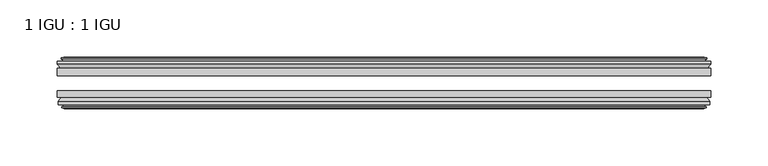
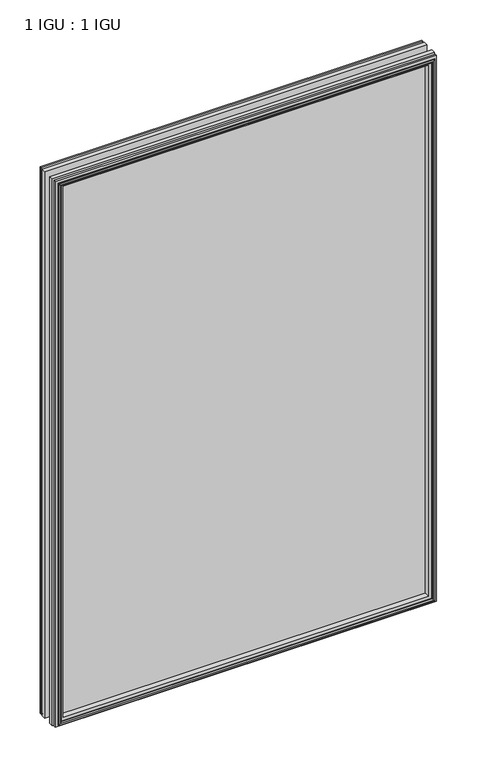
"""IFC4 building model written with IfcOpenShell, lengths in millimetres: plate geometry, 1 IGU : 1 IGU."""

import ifcopenshell
import ifcopenshell.guid

model = None  # the IFC model being written
_history = None  # IfcOwnerHistory: only IFC2X3 demands one
_inside = {}  # id of a spatial element -> (the spatial element, [elements in it])
_under = {}  # id of a project, library or spatial element -> (it, [spatial elements below it])
_declared = {}  # id of a project -> (the project, [libraries it declares])
_typed = {}  # id of a type object -> (the type object, [elements of that type])
_made_of = {}  # id of a material, layer set ... -> (it, [elements and type objects made of it])


def new_model(schema):
    """Start an empty IFC model of exactly this schema.

    Asked for "IFC4X3", IfcOpenShell would pick the latest addendum, in which some entities
    have other attributes; the version numbers below select the first issue.
    IFC2X3 requires an IfcOwnerHistory on every rooted entity: one is made here for all.
    """
    global model, _history
    if schema == "IFC4X3":
        model = ifcopenshell.file(schema_version=(4, 3, 0, 0))
    else:
        model = ifcopenshell.file(schema=schema)
    _inside.clear()
    _under.clear()
    _declared.clear()
    _typed.clear()
    _made_of.clear()
    _history = None
    if model.schema == "IFC2X3":
        org = make("IfcOrganization", Name="unknown")
        user = make(
            "IfcPersonAndOrganization",
            ThePerson=make("IfcPerson", FamilyName="unknown"),
            TheOrganization=org,
        )
        app = make(
            "IfcApplication",
            ApplicationDeveloper=org,
            Version="unknown",
            ApplicationFullName="unknown",
            ApplicationIdentifier="unknown",
        )
        _history = make(
            "IfcOwnerHistory",
            OwningUser=user,
            OwningApplication=app,
            ChangeAction="ADDED",
            CreationDate=0,
        )
    return model


def make(cls, **values):
    """One entity of the class cls with the attributes given. An attribute that is None is left unset."""
    return model.create_entity(
        cls, **{name: value for name, value in values.items() if value is not None}
    )


def rooted(cls, **values):
    """An entity with a GlobalId (a new one), such as an element, a storey or a relation."""
    return make(cls, GlobalId=ifcopenshell.guid.new(), OwnerHistory=_history, **values)


def si_unit(unit_type, name, prefix=None):
    """IfcSIUnit, for example si_unit("LENGTHUNIT", "METRE", prefix="MILLI")."""
    return make("IfcSIUnit", UnitType=unit_type, Prefix=prefix, Name=name)


def assignment(units):
    """IfcUnitAssignment: the units of a project."""
    return None if units is None else make("IfcUnitAssignment", Units=units)


def point(xyz):
    """IfcCartesianPoint."""
    return None if xyz is None else make("IfcCartesianPoint", Coordinates=xyz)


def direction(xyz):
    """IfcDirection."""
    return None if xyz is None else make("IfcDirection", DirectionRatios=xyz)


def frame(location, z_axis=None, x_axis=None):
    """IfcAxis2Placement3D, a coordinate frame: its origin and axes. An axis left out is left unset."""
    return make(
        "IfcAxis2Placement3D",
        Location=point(location),
        Axis=direction(z_axis),
        RefDirection=direction(x_axis),
    )


def origin():
    """The frame at (0, 0, 0) with its axes left unset."""
    return frame((0.0, 0.0, 0.0))


def place(relative_to, where):
    """IfcLocalPlacement: puts the frame where relative to a parent placement (None: the world)."""
    return make(
        "IfcLocalPlacement", PlacementRelTo=relative_to, RelativePlacement=where
    )


def context(
    kind, dimensions, precision=None, world=None, true_north=None, identifier=None
):
    """IfcGeometricRepresentationContext, for example the 3D "Model" context."""
    return make(
        "IfcGeometricRepresentationContext",
        ContextIdentifier=identifier,
        ContextType=kind,
        CoordinateSpaceDimension=dimensions,
        Precision=precision,
        WorldCoordinateSystem=world,
        TrueNorth=true_north,
    )


def project(units=None, contexts=None):
    """IfcProject with its units and contexts."""
    return rooted(
        "IfcProject",
        Name="project",
        RepresentationContexts=contexts,
        UnitsInContext=assignment(units),
    )


def spatial(cls, under=None, at=None, **own):
    """A site, building, storey or space (cls), placed at a placement, below another one or the project."""
    s = rooted(cls, ObjectPlacement=at, **own)
    if under is not None:
        _under.setdefault(under.id(), (under, []))[1].append(s)
    return s


def polyline(points):
    """IfcPolyline through the points."""
    return make("IfcPolyline", Points=[point(p) for p in points])


def outline(outer, holes=None, kind="AREA"):
    """IfcArbitraryClosedProfileDef: a profile drawn as a closed curve; with holes, ...WithVoids."""
    if holes is None:
        return make("IfcArbitraryClosedProfileDef", ProfileType=kind, OuterCurve=outer)
    return make(
        "IfcArbitraryProfileDefWithVoids",
        ProfileType=kind,
        OuterCurve=outer,
        InnerCurves=holes,
    )


def extrude(swept, where, along, depth):
    """IfcExtrudedAreaSolid: the profile swept, set in the frame where, extruded along a direction by depth."""
    return make(
        "IfcExtrudedAreaSolid",
        SweptArea=swept,
        Position=where,
        ExtrudedDirection=direction(along),
        Depth=depth,
    )


def faces_of(points, faces, orient=None, outer=None):
    """IfcFace entities. A face is a list of loops; a loop is a list of indices into points, from 0.

    orient and outer hold one flag for each loop. By default every Orientation is true, the
    first loop of a face is its IfcFaceOuterBound and the others are IfcFaceBound.
    """
    made = []
    for i, loops in enumerate(faces):
        bounds = []
        for j, loop in enumerate(loops):
            is_outer = j == 0 if outer is None else outer[i][j]
            bounds.append(
                make(
                    "IfcFaceOuterBound" if is_outer else "IfcFaceBound",
                    Bound=make("IfcPolyLoop", Polygon=[points[k] for k in loop]),
                    Orientation=True if orient is None else orient[i][j],
                )
            )
        made.append(make("IfcFace", Bounds=bounds))
    return made


def faceted_brep(points, faces, orient=None, outer=None, voids=None):
    """IfcFacetedBrep: a solid bounded by flat faces; with voids (closed shells), ...WithVoids."""
    shared = [point(p) for p in points]
    hull = make("IfcClosedShell", CfsFaces=faces_of(shared, faces, orient, outer))
    if voids is None:
        return make("IfcFacetedBrep", Outer=hull)
    return make(
        "IfcFacetedBrepWithVoids",
        Outer=hull,
        Voids=[
            make(cls, CfsFaces=faces_of(shared, fs, o, b)) for cls, fs, o, b in voids
        ],
    )


def shape(context_of_items, identifier, shape_type, items):
    """IfcShapeRepresentation: the items that make up one representation, for example the "Body"."""
    return make(
        "IfcShapeRepresentation",
        ContextOfItems=context_of_items,
        RepresentationIdentifier=identifier,
        RepresentationType=shape_type,
        Items=items,
    )


def source(mapping_origin, context_of_items, identifier, shape_type, items):
    """IfcRepresentationMap: a shape defined once, which mapped items show again and again."""
    return make(
        "IfcRepresentationMap",
        MappingOrigin=mapping_origin,
        MappedRepresentation=shape(context_of_items, identifier, shape_type, items),
    )


def transform(
    local_origin,
    x_axis=None,
    y_axis=None,
    z_axis=None,
    scale=None,
    scale2=None,
    scale3=None,
    uniform=True,
):
    """IfcCartesianTransformationOperator3D, or its non-uniform kind. x_axis, y_axis, z_axis: its Axis1, 2, 3."""
    if uniform:
        return make(
            "IfcCartesianTransformationOperator3D",
            Axis1=direction(x_axis),
            Axis2=direction(y_axis),
            LocalOrigin=point(local_origin),
            Scale=scale,
            Axis3=direction(z_axis),
        )
    return make(
        "IfcCartesianTransformationOperator3DnonUniform",
        Axis1=direction(x_axis),
        Axis2=direction(y_axis),
        LocalOrigin=point(local_origin),
        Scale=scale,
        Axis3=direction(z_axis),
        Scale2=scale2,
        Scale3=scale3,
    )


def mapped(mapping_source, mapping_target):
    """IfcMappedItem: shows the shape of a source again, moved by a transform."""
    return make(
        "IfcMappedItem", MappingSource=mapping_source, MappingTarget=mapping_target
    )


def made_of(thing, what):
    """Note that an element or type object is made of a material, layer set ...; save() writes the relation."""
    if what is not None:
        _made_of.setdefault(what.id(), (what, []))[1].append(thing)
    return thing


def element(
    cls,
    number,
    at=None,
    inside=None,
    cuts=None,
    type_object=None,
    material=None,
    context=None,
    identifier="Body",
    shape_type=None,
    held_by="IfcProductDefinitionShape",
    body=None,
    shapes=None,
    **own,
):
    """One element of the class cls, such as IfcWall. Its Tag is "e" and its number.

    at: its placement. inside: the storey or other place that contains it. cuts: it is an
    opening in that element (IfcRelVoidsElement). A single representation is given by context,
    identifier, shape_type and body (its items); several are given by shapes. held_by: the class
    of the entity that holds the representations. save() writes the other relations.
    """
    e = rooted(cls, Tag="e%d" % number, ObjectPlacement=at, **own)
    if body is not None:
        shapes = [shape(context, identifier, shape_type, body)]
    if shapes is not None:
        e.Representation = make(held_by, Representations=shapes)
    if inside is not None:
        _inside.setdefault(inside.id(), (inside, []))[1].append(e)
    if cuts is not None:
        rooted(
            "IfcRelVoidsElement", RelatingBuildingElement=cuts, RelatedOpeningElement=e
        )
    if type_object is not None:
        _typed.setdefault(type_object.id(), (type_object, []))[1].append(e)
    return made_of(e, material)


def aggregate(whole, parts):
    """IfcRelAggregates: a whole, such as a stair, and the parts it consists of."""
    return rooted("IfcRelAggregates", RelatingObject=whole, RelatedObjects=parts)


def save(model, path):
    """Write the relations noted so far, then the file.

    IfcRelAggregates (storeys below a building ...), IfcRelContainedInSpatialStructure (elements
    in a storey), IfcRelDefinesByType, IfcRelAssociatesMaterial and IfcRelDeclares: one each for
    every whole, place, type object, material and project.
    """
    for whole, parts in _under.values():
        aggregate(whole, parts)
    for where, things in _inside.values():
        rooted(
            "IfcRelContainedInSpatialStructure",
            RelatedElements=things,
            RelatingStructure=where,
        )
    for kind, things in _typed.values():
        rooted("IfcRelDefinesByType", RelatedObjects=things, RelatingType=kind)
    for what, things in _made_of.values():
        rooted("IfcRelAssociatesMaterial", RelatedObjects=things, RelatingMaterial=what)
    for by, libraries in _declared.values():
        rooted("IfcRelDeclares", RelatingContext=by, RelatedDefinitions=libraries)
    model.write(path)


def plate_1_igu_1_igu_53c20ebe(model_context):
    return source(origin(), model_context, "Body", "SolidModel", [
        extrude(outline(polyline([(285.75, -19.5460937), (285.75, -25.8960938), (-285.75, -25.8960938), (-285.75, -19.5460937), (285.75, -19.5460937)])), frame((0.0, 0.0, -12.7), z_axis=(0.0, 0.0, 1.0), x_axis=(1.0, 0.0, 0.0)), (0.0, 0.0, 1.0), 863.6099403),
        extrude(outline(polyline([(-285.75, -44.9460938), (-285.75, -38.9186737), (285.75, -38.9186737), (285.75, -44.9460938), (-285.75, -44.9460938)])), frame((0.0, 0.0, -12.7), z_axis=(0.0, 0.0, 1.0), x_axis=(1.0, 0.0, 0.0)), (0.0, 0.0, 1.0), 863.6099403),
        faceted_brep([(-280.162, -53.6762907, 845.3219403), (-280.543, -51.2960937, 845.7029403), (-280.543, -51.2960937, -7.493), (-280.162, -53.6762907, -7.112), (-281.5775291, -53.2163575, 846.7374694), (-281.5775291, -53.2163575, -8.5275291), (-281.5775291, -54.0175717, 846.7374694), (-281.5775291, -54.0175717, -8.5275291), (-279.4, -54.7250937, 844.5599403), (-279.4, -54.7250937, -6.35), (-277.2224709, -54.0175717, 842.3824113), (-277.2224709, -54.0175717, -4.1724709), (-277.2224709, -53.2163575, 842.3824113), (-277.2224709, -53.2163575, -4.1724709), (-278.638, -53.6762907, 843.7979403), (-278.638, -53.6762907, -5.588), (-278.257, -51.2960937, 843.4169403), (-278.257, -51.2960937, -5.207), (-271.3322819, -44.9460937, 836.4922223), (-273.05, -51.2960937, 838.2099403), (-273.05, -51.2960937, 0.0), (-271.3322819, -44.9460937, 1.7177181), (-284.988, -48.3496937, 850.1479403), (-282.1536578, -44.9460937, 847.3135982), (-282.1536578, -44.9460937, -9.1036578), (-284.988, -48.3496937, -11.938), (-284.988, -51.2960937, 850.1479403), (-284.988, -51.2960937, -11.938), (280.543, -51.2960938, -7.493), (280.162, -53.6762907, -7.112), (281.5775291, -53.2163575, -8.5275291), (281.5775291, -54.0175717, -8.5275291), (279.4, -54.7250937, -6.35), (277.2224709, -54.0175717, -4.1724709), (277.2224709, -53.2163575, -4.1724709), (278.638, -53.6762907, -5.588), (278.257, -51.2960937, -5.207), (273.05, -51.2960937, 0.0), (271.3322819, -44.9460937, 1.7177181), (282.1536578, -44.9460937, -9.1036578), (284.988, -48.3496937, -11.938), (284.988, -51.2960938, -11.938), (280.543, -51.2960938, 845.7029403), (280.162, -53.6762907, 845.3219403), (281.5775291, -53.2163575, 846.7374694), (281.5775291, -54.0175717, 846.7374694), (279.4, -54.7250937, 844.5599403), (277.2224709, -54.0175717, 842.3824113), (277.2224709, -53.2163575, 842.3824113), (278.638, -53.6762907, 843.7979403), (278.257, -51.2960937, 843.4169403), (273.05, -51.2960937, 838.2099403), (271.3322819, -44.9460937, 836.4922223), (282.1536578, -44.9460937, 847.3135982), (284.988, -48.3496937, 850.1479403), (284.988, -51.2960938, 850.1479403)], [[[0, 1, 2, 3]], [[4, 0, 3, 5]], [[6, 4, 5, 7]], [[8, 6, 7, 9]], [[10, 8, 9, 11]], [[12, 10, 11, 13]], [[14, 12, 13, 15]], [[16, 14, 15, 17]], [[18, 19, 20, 21]], [[22, 23, 24, 25]], [[26, 22, 25, 27]], [[3, 2, 28, 29]], [[5, 3, 29, 30]], [[7, 5, 30, 31]], [[9, 7, 31, 32]], [[11, 9, 32, 33]], [[13, 11, 33, 34]], [[15, 13, 34, 35]], [[17, 15, 35, 36]], [[21, 20, 37, 38]], [[25, 24, 39, 40]], [[27, 25, 40, 41]], [[29, 28, 42, 43]], [[30, 29, 43, 44]], [[31, 30, 44, 45]], [[32, 31, 45, 46]], [[33, 32, 46, 47]], [[34, 33, 47, 48]], [[35, 34, 48, 49]], [[36, 35, 49, 50]], [[38, 37, 51, 52]], [[40, 39, 53, 54]], [[41, 40, 54, 55]], [[27, 41, 55, 26], [1, 42, 28, 2]], [[43, 42, 1, 0]], [[44, 43, 0, 4]], [[45, 44, 4, 6]], [[46, 45, 6, 8]], [[47, 46, 8, 10]], [[48, 47, 10, 12]], [[49, 48, 12, 14]], [[50, 49, 14, 16]], [[17, 36, 50, 16], [19, 51, 37, 20]], [[52, 51, 19, 18]], [[23, 53, 39, 24], [21, 38, 52, 18]], [[54, 53, 23, 22]], [[55, 54, 22, 26]]]),
        faceted_brep([(-282.6743578, -19.5460937, 847.8342982), (-285.5087, -16.1424937, 850.6686403), (-285.5087, -16.1424937, -12.4587), (-282.6743578, -19.5460937, -9.6243578), (-273.5707, -13.1960937, 838.7306403), (-271.8529819, -19.5460937, 837.0129223), (-271.8529819, -19.5460937, 1.1970181), (-273.5707, -13.1960937, -0.5207), (-279.1587, -10.8158968, 844.3186403), (-278.7777, -13.1960937, 843.9376403), (-278.7777, -13.1960937, -5.7277), (-279.1587, -10.8158968, -6.1087), (-277.7431709, -11.27583, 842.9031113), (-277.7431709, -11.27583, -4.6931709), (-277.7431709, -10.4746158, 842.9031113), (-277.7431709, -10.4746158, -4.6931709), (-279.9207, -9.7670937, 845.0806403), (-279.9207, -9.7670937, -6.8707), (-282.0982291, -10.4746158, 847.2581694), (-282.0982291, -10.4746158, -9.0482291), (-282.0982291, -11.27583, 847.2581694), (-282.0982291, -11.27583, -9.0482291), (-280.6827, -10.8158968, 845.8426403), (-280.6827, -10.8158968, -7.6327), (-281.0637, -13.1960937, 846.2236403), (-281.0637, -13.1960937, -8.0137), (-285.5087, -13.1960937, 850.6686403), (-285.5087, -13.1960937, -12.4587), (285.5087, -16.1424937, -12.4587), (282.6743578, -19.5460937, -9.6243578), (271.8529819, -19.5460937, 1.1970181), (273.5707, -13.1960937, -0.5207), (278.7777, -13.1960937, -5.7277), (279.1587, -10.8158968, -6.1087), (277.7431709, -11.27583, -4.6931709), (277.7431709, -10.4746158, -4.6931709), (279.9207, -9.7670937, -6.8707), (282.0982291, -10.4746158, -9.0482291), (282.0982291, -11.27583, -9.0482291), (280.6827, -10.8158968, -7.6327), (281.0637, -13.1960937, -8.0137), (285.5087, -13.1960937, -12.4587), (285.5087, -16.1424937, 850.6686403), (282.6743578, -19.5460937, 847.8342982), (271.8529819, -19.5460937, 837.0129223), (273.5707, -13.1960937, 838.7306403), (278.7777, -13.1960937, 843.9376403), (279.1587, -10.8158968, 844.3186403), (277.7431709, -11.27583, 842.9031113), (277.7431709, -10.4746158, 842.9031113), (279.9207, -9.7670937, 845.0806403), (282.0982291, -10.4746158, 847.2581694), (282.0982291, -11.27583, 847.2581694), (280.6827, -10.8158968, 845.8426403), (281.0637, -13.1960937, 846.2236403), (285.5087, -13.1960937, 850.6686403)], [[[0, 1, 2, 3]], [[4, 5, 6, 7]], [[8, 9, 10, 11]], [[12, 8, 11, 13]], [[14, 12, 13, 15]], [[16, 14, 15, 17]], [[18, 16, 17, 19]], [[20, 18, 19, 21]], [[22, 20, 21, 23]], [[24, 22, 23, 25]], [[1, 26, 27, 2]], [[3, 2, 28, 29]], [[7, 6, 30, 31]], [[11, 10, 32, 33]], [[13, 11, 33, 34]], [[15, 13, 34, 35]], [[17, 15, 35, 36]], [[19, 17, 36, 37]], [[21, 19, 37, 38]], [[23, 21, 38, 39]], [[25, 23, 39, 40]], [[2, 27, 41, 28]], [[29, 28, 42, 43]], [[31, 30, 44, 45]], [[33, 32, 46, 47]], [[34, 33, 47, 48]], [[35, 34, 48, 49]], [[36, 35, 49, 50]], [[37, 36, 50, 51]], [[38, 37, 51, 52]], [[39, 38, 52, 53]], [[40, 39, 53, 54]], [[28, 41, 55, 42]], [[43, 42, 1, 0]], [[3, 29, 43, 0], [5, 44, 30, 6]], [[45, 44, 5, 4]], [[9, 46, 32, 10], [7, 31, 45, 4]], [[47, 46, 9, 8]], [[48, 47, 8, 12]], [[49, 48, 12, 14]], [[50, 49, 14, 16]], [[51, 50, 16, 18]], [[52, 51, 18, 20]], [[53, 52, 20, 22]], [[54, 53, 22, 24]], [[26, 55, 41, 27], [25, 40, 54, 24]], [[42, 55, 26, 1]]]),
    ])


if __name__ == "__main__":
    model = new_model("IFC4")
    model_context = context("Model", 3, world=origin())
    ifc_project = project(units=[si_unit("LENGTHUNIT", "METRE", prefix="MILLI")], contexts=[model_context])
    site = spatial("IfcSite", under=ifc_project)
    building = spatial("IfcBuilding", under=site)
    placement = place(None, origin())
    plate_1_igu_1_igu_shape = plate_1_igu_1_igu_53c20ebe(model_context)
    element("IfcPlate", 1, ObjectType="1 IGU : 1 IGU", at=placement, inside=building, context=model_context, shape_type="MappedRepresentation", body=[
        mapped(plate_1_igu_1_igu_shape, transform((0.0, 0.0, 0.0), x_axis=(1.0, 0.0, 0.0), y_axis=(0.0, 1.0, 0.0), z_axis=(0.0, 0.0, 1.0))),
    ])
    save(model, "model.ifc")
